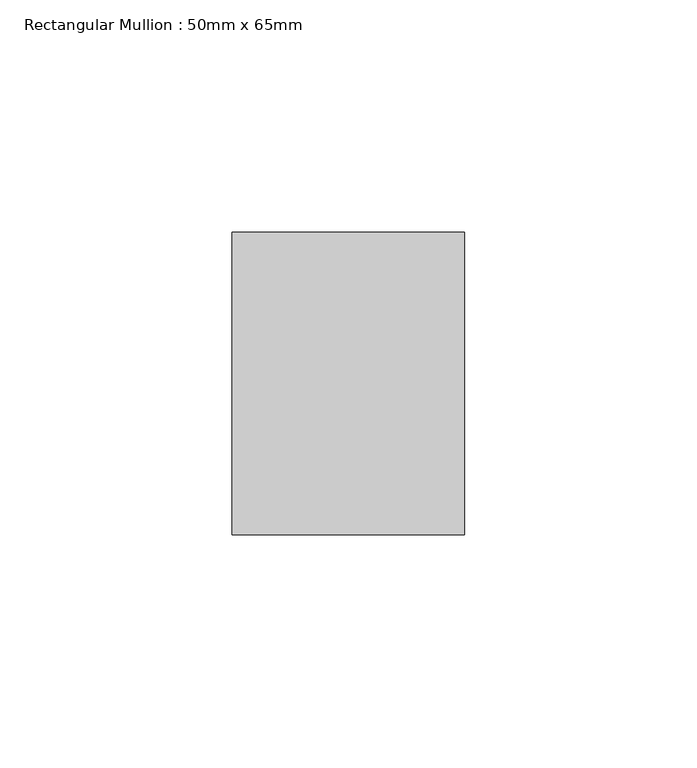
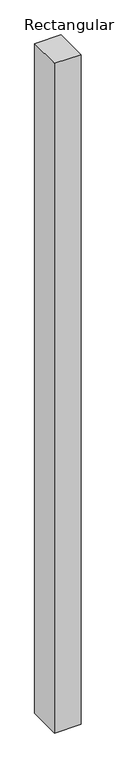
"""IFC4 building model written with IfcOpenShell, lengths in millimetres: member geometry, Rectangular Mullion : 50mm x 65mm."""

from ifc_helpers import new_model, si_unit, frame, origin, place, context, project, spatial, polyline, outline, extrude, source, transform, mapped, element, save


def rectangular_mullion_50mm_x_65mm_e3f90103(model_context):
    return source(origin(), model_context, "Body", "SweptSolid", [
        extrude(outline(polyline([(25.0, 32.5), (25.0, -32.5), (-25.0, -32.5), (-25.0, 32.5), (25.0, 32.5)])), frame((0.0, 0.0, -1337.4789472), z_axis=(0.0, 0.0, 1.0), x_axis=(1.0, 0.0, 0.0)), (0.0, 0.0, 1.0), 1337.4789472),
    ])


if __name__ == "__main__":
    model = new_model("IFC4")
    model_context = context("Model", 3, world=origin())
    ifc_project = project(units=[si_unit("LENGTHUNIT", "METRE", prefix="MILLI")], contexts=[model_context])
    site = spatial("IfcSite", under=ifc_project)
    building = spatial("IfcBuilding", under=site)
    placement = place(None, origin())
    rectangular_mullion_50mm_x_65mm_shape = rectangular_mullion_50mm_x_65mm_e3f90103(model_context)
    element("IfcMember", 1, ObjectType="Rectangular Mullion : 50mm x 65mm", at=placement, inside=building, context=model_context, shape_type="MappedRepresentation", body=[
        mapped(rectangular_mullion_50mm_x_65mm_shape, transform((0.0, 0.0, 0.0), x_axis=(1.0, 0.0, 0.0), y_axis=(0.0, 1.0, 0.0), z_axis=(0.0, 0.0, 1.0))),
    ])
    save(model, "model.ifc")
